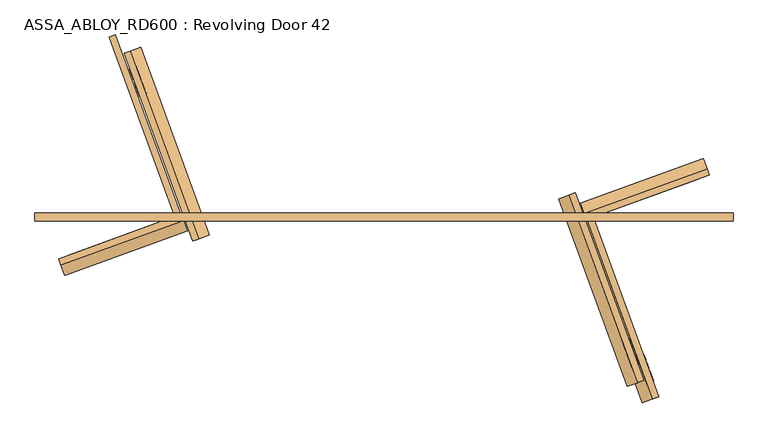
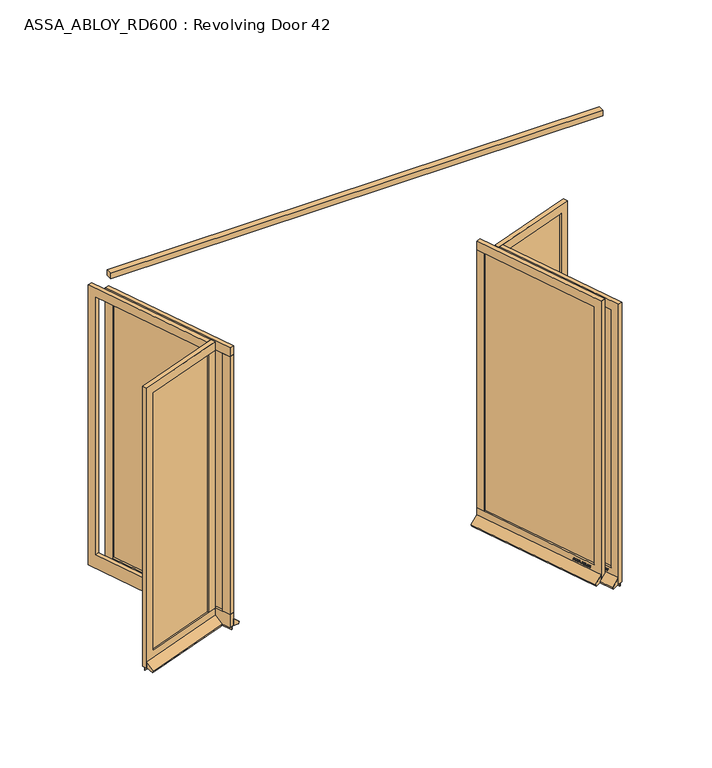
"""IFC4 building model written with IfcOpenShell, lengths in millimetres: door geometry, ASSA_ABLOY_RD600 : Revolving Door 42."""

from ifc_helpers import new_model, si_unit, frame, origin, place, context, project, spatial, polyline, outline, extrude, source, transform, mapped, element, save


def assa_abloy_rd600_revolving_door_42_ab2d492a(model_context):
    return source(origin(), model_context, "Body", "SweptSolid", [
        extrude(outline(polyline([(2141.0, -25.0), (-2141.0, -25.0), (-2141.0, 25.0), (2141.0, 25.0), (2141.0, -25.0)])), frame((0.0, 0.0, 3500.0), z_axis=(0.0, 0.0, 1.0), x_axis=(1.0, 0.0, 0.0)), (0.0, 0.0, 1.0), 50.0),
        extrude(outline(polyline([(0.0, 0.0), (1156.0000001, 0.0), (1156.0000001, -120.0), (-69.9999999, -120.0), (-69.9999999, 2452.0), (1156.0000001, 2452.0), (1156.0000001, 2372.0), (0.0, 2372.0), (0.0, 0.0)])), frame((1532.1043284, -951.5366544, 148.0), z_axis=(0.9396926207858558, 0.34202014332581326, 0.0), x_axis=(-0.34202014332581326, 0.9396926207858558, 0.0)), (0.0, 0.0, 1.0), 40.0),
        extrude(outline(polyline([(1198.2581576, 82.6503375), (1160.6704527, 68.9695318), (1136.7290427, 134.7480153), (1174.3167475, 148.428821), (1198.2581576, 82.6503375)])), frame((0.0, 0.0, 148.0), z_axis=(0.0, 0.0, 1.0), x_axis=(1.0, 0.0, 0.0)), (0.0, 0.0, 1.0), 2372.0),
        extrude(outline(polyline([(1548.0791029, -945.7223119), (1176.6452273, 74.7838742), (1182.283383, 76.8359951), (1553.7172587, -943.6701911), (1548.0791029, -945.7223119)])), frame((0.0, 0.0, 148.0), z_axis=(0.0, 0.0, 1.0), x_axis=(1.0, 0.0, 0.0)), (0.0, 0.0, 1.0), 2372.0),
        extrude(outline(polyline([(1572.020513, -1011.5007954), (1152.7038173, 140.5623577), (1158.341973, 142.6144786), (1577.6586687, -1009.4486745), (1572.020513, -1011.5007954)])), frame((0.0, 0.0, -1.0), z_axis=(0.0, 0.0, 1.0), x_axis=(1.0, 0.0, 0.0)), (0.0, 0.0, 1.0), 29.0),
        extrude(outline(polyline([(21.1919362, 1e-07), (20.214336, -2.6529929), (14.2348715, -2.5853723), (11.2716326, -10.6269535), (15.8652682, -14.4554101), (14.8894584, -17.1035441), (-1.2354289, -3.3526834), (0.0, 0.0), (21.1919362, 1e-07)]), holes=[polyline([(11.7626281, -2.5849674), (1.6611384, -2.5160753), (9.3848751, -9.0376682), (11.7626281, -2.5849674)])]), frame((1555.5899127, -899.110591, 122.8848654), z_axis=(0.9396926207858602, 0.34202014332580105, 0.0), x_axis=(-0.11825756092416981, 0.3249099783187935, -0.9383222555567716)), (0.0, 0.0, 1.0), 2.0),
        extrude(outline(polyline([(3.5121291, 0.0), (5.4926863, -1.2764387), (6.787432, -3.3659463), (7.2092232, -6.1919011), (6.5093631, -9.6341389), (4.8247981, -13.2083906), (2.5145629, -16.157079), (-0.6567352, -15.0446471), (2.4447822, -12.1320668), (4.3562345, -8.7636201), (4.8029446, -4.7524081), (2.9863484, -2.6252692), (0.9295188, -2.6144293), (-0.6628891, -4.2207408), (-1.8238571, -6.2006452), (-3.0893834, -8.4786223), (-6.2388815, -11.6844271), (-9.9996043, -11.7673438), (-13.1300796, -8.3561655), (-12.7977466, -2.5981571), (-11.0920113, 1.0208017), (-9.0699595, 3.711135), (-6.0403681, 2.6484111), (-8.71119, 0.0484616), (-10.6514742, -3.4882217), (-11.0208469, -7.16163), (-9.3614355, -9.1814982), (-7.3063201, -9.1972245), (-5.5118808, -7.3434952), (-4.250422, -5.1162245), (-2.8187321, -2.6852579), (0.0, 0.0), (3.5121291, 0.0)])), frame((1547.4738463, -876.8118819, 111.999973), z_axis=(0.9396926207858602, 0.34202014332580105, 0.0), x_axis=(-0.11321109633798945, 0.31104493082019163, -0.9436282629706535)), (0.0, 0.0, 1.0), 2.0),
        extrude(outline(polyline([(3.5121291, 0.0), (5.4926863, -1.2764388), (6.787432, -3.3659464), (7.2092232, -6.1919012), (6.5093631, -9.6341389), (4.824798, -13.2083907), (2.5145629, -16.157079), (-0.6567352, -15.0446471), (2.4447822, -12.1320668), (4.3562345, -8.7636201), (4.8029446, -4.7524081), (2.9863484, -2.6252693), (0.9295188, -2.6144293), (-0.6628891, -4.2207409), (-1.8238571, -6.2006453), (-3.0893834, -8.4786223), (-6.2388815, -11.6844271), (-9.9996043, -11.7673438), (-13.1300796, -8.3561655), (-12.7977466, -2.5981571), (-11.0920114, 1.0208016), (-9.0699595, 3.711135), (-6.0403681, 2.6484111), (-8.71119, 0.0484616), (-10.6514742, -3.4882218), (-11.0208469, -7.16163), (-9.3614355, -9.1814982), (-7.3063201, -9.1972245), (-5.5118808, -7.3434952), (-4.250422, -5.1162245), (-2.8187321, -2.6852579), (0.0, 0.0), (3.5121291, 0.0)])), frame((1541.012873, -859.0605036, 111.999973), z_axis=(0.9396926207858601, 0.34202014332580105, 0.0), x_axis=(-0.11321109633799238, 0.3110449308201997, -0.9436282629706505)), (0.0, 0.0, 1.0), 2.0),
        extrude(outline(polyline([(21.1919362, 0.0), (20.214336, -2.6529929), (14.2348715, -2.5853723), (11.2716326, -10.6269535), (15.8652682, -14.4554101), (14.8894584, -17.1035441), (-1.2354289, -3.3526834), (0.0, 0.0), (21.1919362, 0.0)]), holes=[polyline([(11.7626281, -2.5849674), (1.6611384, -2.5160753), (9.3848751, -9.0376682), (11.7626281, -2.5849674)])]), frame((1536.2069928, -845.8564562, 122.8848654), z_axis=(0.9396926207858602, 0.34202014332580105, 0.0), x_axis=(-0.11825756092416981, 0.3249099783187935, -0.9383222555567716)), (0.0, 0.0, 1.0), 2.0),
        extrude(outline(polyline([(21.1919362, 1e-07), (20.214336, -2.6529929), (14.2348715, -2.5853724), (11.2716326, -10.6269535), (15.8652682, -14.4554102), (14.8894584, -17.1035441), (-1.2354289, -3.3526833), (0.0, 0.0), (21.1919362, 1e-07)]), holes=[polyline([(11.7626281, -2.5849674), (1.6611384, -2.5160753), (9.3848751, -9.0376681), (11.7626281, -2.5849674)])]), frame((1526.4588576, -819.073675, 122.8848654), z_axis=(0.9396926207858602, 0.34202014332580105, 0.0), x_axis=(-0.11825756092416981, 0.3249099783187935, -0.9383222555567716)), (0.0, 0.0, 1.0), 2.0),
        extrude(outline(polyline([(3.6247797, 0.0), (5.9232413, -1.3859292), (7.2049821, -3.4426962), (7.5842828, -6.2202287), (6.8194358, -9.6251297), (4.5055294, -16.4081518), (-14.3144162, -9.9880647), (-12.3716711, -4.2930707), (-11.1479956, -1.1951534), (-9.8352433, 0.5920774), (-7.9241126, 1.6554025), (-5.7320771, 1.441087), (-3.7068838, -0.0321766), (-2.8147562, -2.4211002), (0.0, 0.0), (3.6247797, 0.0)]), holes=[polyline([(-5.2214252, -2.9241786), (-9.3653605, -2.9303687), (-10.1960736, -5.1008932), (-11.2627443, -8.2277488), (-5.9304264, -10.0467735), (-4.7734732, -6.6552624), (-5.2214252, -2.9241786)]), polyline([(2.8765907, -2.5461078), (0.9746905, -2.291247), (-0.5832315, -3.1932876), (-1.5099769, -4.5787396), (-2.347091, -6.7279308), (-3.734766, -10.7957836), (3.1658807, -13.1498156), (4.3362091, -9.7190964), (5.1175974, -6.8751817), (5.1102534, -4.883835), (4.3679308, -3.4351116), (2.8765907, -2.5461078)])]), frame((1518.1187471, -796.1594096, 112.561824), z_axis=(0.9396926207858604, 0.3420201433258011, 0.0), x_axis=(-0.11042564634822187, 0.30339196987028844, -0.9464457138403678)), (0.0, 0.0, 1.0), 2.0),
        extrude(outline(polyline([(2.319901, 0.0), (2.319901, -12.5937482), (-17.5649644, -12.5937482), (-17.5649644, -9.9424327), (0.0, -9.9424327), (0.0, 0.0), (2.319901, 0.0)])), frame((1512.1643084, -779.7997238, 105.319901), z_axis=(0.9396926207858602, 0.34202014332580105, 0.0), x_axis=(0.0, 0.0, -1.0)), (0.0, 0.0, 1.0), 2.0),
        extrude(outline(polyline([(3.4755123, 0.0), (6.8343334, -1.6217536), (9.841779, -4.8358203), (11.7934802, -8.7947163), (12.1283676, -12.475947), (10.9175763, -15.7640054), (8.2007386, -18.4707048), (4.7147757, -20.0502835), (1.2097864, -20.048671), (-2.1257686, -18.4422905), (-5.1361655, -15.2239686), (-7.0812776, -11.3109182), (-7.4345587, -7.5668217), (-6.1998493, -4.2905332), (-3.5095377, -1.5864764), (0.0, 0.0), (3.4755123, 0.0)]), holes=[polyline([(7.6631689, -6.3468237), (2.8864763, -2.494471), (-2.1788994, -3.4868578), (-4.8960977, -7.8921765), (-2.9575554, -13.7129652), (1.8513938, -17.5618518), (6.887121, -16.5585186), (9.5892894, -12.1951337), (7.6631689, -6.3468237)])]), frame((1507.1866315, -766.1236688, 122.5197917), z_axis=(0.9396926207858602, 0.34202014332580105, 0.0), x_axis=(-0.2810410816456137, 0.7721540257600883, -0.5699070721880477)), (0.0, 0.0, 1.0), 2.0),
        extrude(outline(polyline([(3.1691505, 0.0), (-4.1219668, -11.1645234), (-4.1219668, -19.8848654), (-6.7732823, -19.8848654), (-6.7732823, -11.4441543), (-14.0643996, 0.0), (-10.9211409, 0.0), (-5.4320895, -8.8964059), (0.0, 0.0), (3.1691505, 0.0)])), frame((1499.9862239, -746.3407115, 122.8848654), z_axis=(0.9396926207858602, 0.34202014332580105, 0.0), x_axis=(-0.34202014332580105, 0.9396926207858602, 0.0)), (0.0, 0.0, 1.0), 2.0),
        extrude(outline(polyline([(-21.1919362, 1e-07), (0.0, 0.0), (1.2354289, -3.3526834), (-14.8894584, -17.1035441), (-15.8652682, -14.4554101), (-11.2716326, -10.6269535), (-14.2348715, -2.5853723), (-20.214336, -2.6529929), (-21.1919362, 1e-07)]), holes=[polyline([(-11.7626281, -2.5849674), (-9.3848751, -9.0376682), (-1.6611384, -2.5160752), (-11.7626281, -2.5849674)])]), frame((1463.3900871, -768.5934369, 122.8848654), z_axis=(0.939692620785858, 0.3420201433258071, 0.0), x_axis=(-0.11825756092417189, 0.3249099783187927, 0.9383222555567716)), (0.0, 0.0, 1.0), 2.0),
        extrude(outline(polyline([(-3.5121291, 0.0), (0.0, 0.0), (2.818732, -2.6852578), (4.250422, -5.1162245), (5.5118808, -7.3434952), (7.3063201, -9.1972245), (9.3614355, -9.1814982), (11.0208469, -7.16163), (10.6514742, -3.4882217), (8.71119, 0.0484617), (6.0403681, 2.6484111), (9.0699595, 3.711135), (11.0920113, 1.0208017), (12.7977466, -2.5981571), (13.1300796, -8.3561655), (9.9996043, -11.7673438), (6.2388815, -11.6844271), (3.0893834, -8.4786223), (1.8238571, -6.2006452), (0.6628891, -4.2207408), (-0.9295188, -2.6144293), (-2.9863484, -2.6252692), (-4.8029446, -4.7524081), (-4.3562345, -8.76362), (-2.4447823, -12.1320668), (0.6567352, -15.0446471), (-2.5145629, -16.157079), (-4.8247981, -13.2083905), (-6.5093631, -9.6341389), (-7.2092232, -6.1919011), (-6.787432, -3.3659463), (-5.4926863, -1.2764386), (-3.5121291, 0.0)])), frame((1471.5061535, -790.892146, 111.999973), z_axis=(0.939692620785858, 0.3420201433258071, 0.0), x_axis=(-0.11321109633799145, 0.31104493082019086, 0.9436282629706535)), (0.0, 0.0, 1.0), 2.0),
        extrude(outline(polyline([(-3.5121291, 0.0), (0.0, 0.0), (2.8187321, -2.6852579), (4.250422, -5.1162245), (5.5118808, -7.3434952), (7.3063201, -9.1972245), (9.3614355, -9.1814982), (11.0208469, -7.16163), (10.6514742, -3.4882218), (8.71119, 0.0484616), (6.0403681, 2.6484111), (9.0699595, 3.711135), (11.0920113, 1.0208017), (12.7977466, -2.5981571), (13.1300796, -8.3561655), (9.9996043, -11.7673438), (6.2388815, -11.6844271), (3.0893834, -8.4786223), (1.8238571, -6.2006452), (0.6628891, -4.2207408), (-0.9295188, -2.6144293), (-2.9863484, -2.6252693), (-4.8029446, -4.7524081), (-4.3562345, -8.76362), (-2.4447823, -12.1320668), (0.6567352, -15.0446471), (-2.5145629, -16.157079), (-4.824798, -13.2083906), (-6.5093631, -9.6341389), (-7.2092232, -6.1919012), (-6.787432, -3.3659463), (-5.4926863, -1.2764387), (-3.5121291, 0.0)])), frame((1477.9671268, -808.6435243, 111.999973), z_axis=(0.939692620785858, 0.3420201433258071, 0.0), x_axis=(-0.11321109633799145, 0.31104493082019086, 0.9436282629706535)), (0.0, 0.0, 1.0), 2.0),
        extrude(outline(polyline([(-21.1919362, 1e-07), (0.0, 0.0), (1.2354289, -3.3526834), (-14.8894584, -17.1035441), (-15.8652682, -14.4554101), (-11.2716326, -10.6269535), (-14.2348715, -2.5853723), (-20.214336, -2.6529929), (-21.1919362, 1e-07)]), holes=[polyline([(-11.7626281, -2.5849674), (-9.3848751, -9.0376682), (-1.6611384, -2.5160752), (-11.7626281, -2.5849674)])]), frame((1482.773007, -821.8475717, 122.8848654), z_axis=(0.939692620785858, 0.3420201433258071, 0.0), x_axis=(-0.11825756092417189, 0.3249099783187927, 0.9383222555567716)), (0.0, 0.0, 1.0), 2.0),
        extrude(outline(polyline([(-21.1919362, 1e-07), (0.0, 0.0), (1.2354289, -3.3526833), (-14.8894584, -17.1035441), (-15.8652682, -14.4554101), (-11.2716326, -10.6269535), (-14.2348715, -2.5853723), (-20.214336, -2.6529929), (-21.1919362, 1e-07)]), holes=[polyline([(-11.7626281, -2.5849674), (-9.3848751, -9.0376681), (-1.6611385, -2.5160751), (-11.7626281, -2.5849674)])]), frame((1492.5211422, -848.6303529, 122.8848654), z_axis=(0.939692620785858, 0.3420201433258071, 0.0), x_axis=(-0.11825756092417189, 0.3249099783187927, 0.9383222555567716)), (0.0, 0.0, 1.0), 2.0),
        extrude(outline(polyline([(-3.6247797, -1e-07), (0.0, 0.0), (2.8147562, -2.4211003), (3.7068839, -0.0321767), (5.7320772, 1.4410869), (7.9241126, 1.6554024), (9.8352433, 0.5920773), (11.1479956, -1.1951535), (12.3716711, -4.2930708), (14.3144162, -9.9880648), (-4.5055294, -16.4081519), (-6.8194358, -9.6251298), (-7.5842828, -6.2202288), (-7.204982, -3.4426963), (-5.9232413, -1.3859293), (-3.6247797, -1e-07)]), holes=[polyline([(5.2214253, -2.9241787), (4.7734732, -6.6552625), (5.9304264, -10.0467736), (11.2627444, -8.2277489), (10.1960736, -5.1008933), (9.3653605, -2.9303688), (5.2214253, -2.9241787)]), polyline([(-2.8765906, -2.5461079), (-4.3679308, -3.4351117), (-5.1102534, -4.8838351), (-5.1175974, -6.8751818), (-4.336209, -9.7190965), (-3.1658807, -13.1498157), (3.7347661, -10.7957838), (2.347091, -6.7279309), (1.5099769, -4.5787397), (0.5832316, -3.1932877), (-0.9746905, -2.2912471), (-2.8765906, -2.5461079)])]), frame((1500.8612528, -871.5446184, 112.561824), z_axis=(0.939692620785858, 0.34202014332580716, 0.0), x_axis=(-0.11042564634822383, 0.3033919698702877, 0.9464457138403678)), (0.0, 0.0, 1.0), 2.0),
        extrude(outline(polyline([(-2.319901, 0.0), (0.0, 0.0), (0.0, -9.9424326), (17.5649644, -9.9424326), (17.5649644, -12.593748), (-2.319901, -12.593748), (-2.319901, 0.0)])), frame((1506.8156914, -887.9043041, 105.319901), z_axis=(0.939692620785858, 0.3420201433258071, 0.0), x_axis=(0.0, 0.0, 1.0)), (0.0, 0.0, 1.0), 2.0),
        extrude(outline(polyline([(-3.4755123, 0.0), (0.0, 0.0), (3.5095376, -1.5864763), (6.1998493, -4.2905332), (7.4345588, -7.5668217), (7.0812776, -11.3109182), (5.1361655, -15.2239686), (2.1257686, -18.4422905), (-1.2097864, -20.048671), (-4.7147758, -20.0502835), (-8.2007387, -18.4707048), (-10.9175762, -15.7640054), (-12.1283676, -12.475947), (-11.7934802, -8.7947164), (-9.8417791, -4.8358203), (-6.8343334, -1.6217536), (-3.4755123, 0.0)]), holes=[polyline([(-7.6631689, -6.3468237), (-9.5892894, -12.1951337), (-6.8871209, -16.5585186), (-1.8513938, -17.5618518), (2.9575554, -13.7129653), (4.8960977, -7.8921765), (2.1788995, -3.4868579), (-2.8864763, -2.494471), (-7.6631689, -6.3468237)])]), frame((1511.7933684, -901.5803591, 122.5197917), z_axis=(0.939692620785858, 0.3420201433258071, 0.0), x_axis=(-0.28104108164561903, 0.7721540257600874, 0.5699070721880464)), (0.0, 0.0, 1.0), 2.0),
        extrude(outline(polyline([(-3.1691505, 0.0), (0.0, 0.0), (5.4320895, -8.8964059), (10.9211409, 0.0), (14.0643996, 0.0), (6.7732822, -11.4441543), (6.7732822, -19.8848654), (4.1219668, -19.8848654), (4.1219668, -11.1645234), (-3.1691505, 0.0)])), frame((1518.993776, -921.3633164, 122.8848654), z_axis=(0.939692620785858, 0.3420201433258071, 0.0), x_axis=(-0.3420201433258071, 0.939692620785858, 0.0)), (0.0, 0.0, 1.0), 2.0),
        extrude(outline(polyline([(16.3017206, 0.0), (20.0, 0.0), (20.0, 58.7981528), (88.5222617, 2.8076911), (78.5957563, -16.6009104), (16.3017206, 0.0)])), frame((1574.8395908, -1010.474735, 28.0), z_axis=(-0.34202014332581326, 0.9396926207858558, 0.0), x_axis=(-0.9396926207858558, -0.34202014332581326, 0.0)), (0.0, 0.0, 1.0), 1226.0),
        extrude(outline(polyline([(1156.0, 0.0), (1156.0, -120.0), (0.0, -120.0), (0.0, -2492.0), (1156.0, -2492.0), (1156.0, -2572.0), (-70.0000001, -2572.0), (-70.0000001, 0.0), (1156.0, 0.0)])), frame((-1569.6920332, 937.8558486, 28.0), z_axis=(0.939692620786613, 0.3420201433237329, 0.0), x_axis=(0.3420201433237329, -0.939692620786613, 0.0)), (0.0, 0.0, 1.0), 40.0),
        extrude(outline(polyline([(-1198.2581576, -82.6503375), (-1160.6704527, -68.9695318), (-1136.7290427, -134.7480153), (-1174.3167475, -148.428821), (-1198.2581576, -82.6503375)])), frame((0.0, 0.0, 148.0), z_axis=(0.0, 0.0, 1.0), x_axis=(1.0, 0.0, 0.0)), (0.0, 0.0, 1.0), 2372.0),
        extrude(outline(polyline([(-1548.0791029, 945.7223119), (-1176.6452273, -74.7838742), (-1182.283383, -76.8359951), (-1553.7172587, 943.6701911), (-1548.0791029, 945.7223119)])), frame((0.0, 0.0, 148.0), z_axis=(0.0, 0.0, 1.0), x_axis=(1.0, 0.0, 0.0)), (0.0, 0.0, 1.0), 2372.0),
        extrude(outline(polyline([(-1572.020513, 1011.5007954), (-1152.7038173, -140.5623577), (-1158.341973, -142.6144786), (-1577.6586687, 1009.4486745), (-1572.020513, 1011.5007954)])), frame((0.0, 0.0, -1.0), z_axis=(0.0, 0.0, 1.0), x_axis=(1.0, 0.0, 0.0)), (0.0, 0.0, 1.0), 29.0),
        extrude(outline(polyline([(-21.1919362, 1e-07), (0.0, 0.0), (1.2354289, -3.3526834), (-14.8894584, -17.1035441), (-15.8652682, -14.4554101), (-11.2716326, -10.6269535), (-14.2348715, -2.5853723), (-20.214336, -2.6529929), (-21.1919362, 1e-07)]), holes=[polyline([(-11.7626281, -2.5849674), (-9.3848751, -9.0376682), (-1.6611384, -2.5160752), (-11.7626281, -2.5849674)])]), frame((-1557.469298, 898.4265507, 122.8848654), z_axis=(0.9396926207866175, 0.34202014332372066, 0.0), x_axis=(-0.11825756092345048, 0.3249099783190553, 0.9383222555567716)), (0.0, 0.0, 1.0), 2.0),
        extrude(outline(polyline([(-3.5121291, 0.0), (0.0, 0.0), (2.8187321, -2.6852579), (4.250422, -5.1162245), (5.5118808, -7.3434952), (7.3063201, -9.1972245), (9.3614355, -9.1814982), (11.0208469, -7.16163), (10.6514742, -3.4882218), (8.71119, 0.0484616), (6.0403681, 2.6484111), (9.0699595, 3.711135), (11.0920113, 1.0208017), (12.7977466, -2.5981571), (13.1300796, -8.3561655), (9.9996043, -11.7673438), (6.2388815, -11.6844271), (3.0893834, -8.4786223), (1.8238571, -6.2006452), (0.6628891, -4.2207408), (-0.9295188, -2.6144293), (-2.9863484, -2.6252692), (-4.8029446, -4.7524081), (-4.3562345, -8.76362), (-2.4447823, -12.1320668), (0.6567352, -15.0446471), (-2.5145629, -16.157079), (-4.8247981, -13.2083905), (-6.5093631, -9.6341389), (-7.2092232, -6.1919012), (-6.787432, -3.3659463), (-5.4926863, -1.2764386), (-3.5121291, 0.0)])), frame((-1549.3532316, 876.1278416, 111.999973), z_axis=(0.9396926207866174, 0.34202014332372066, 0.0), x_axis=(-0.11321109633730082, 0.31104493082044227, 0.9436282629706535)), (0.0, 0.0, 1.0), 2.0),
        extrude(outline(polyline([(-3.5121291, 0.0), (0.0, 0.0), (2.8187321, -2.6852579), (4.250422, -5.1162244), (5.5118808, -7.3434953), (7.3063201, -9.1972245), (9.3614355, -9.1814982), (11.0208469, -7.16163), (10.6514742, -3.4882218), (8.71119, 0.0484616), (6.0403681, 2.648411), (9.0699596, 3.7111349), (11.0920114, 1.0208016), (12.7977466, -2.5981572), (13.1300797, -8.3561656), (9.9996044, -11.7673439), (6.2388815, -11.6844271), (3.0893834, -8.4786224), (1.8238571, -6.2006453), (0.6628891, -4.2207408), (-0.9295188, -2.6144294), (-2.9863484, -2.6252693), (-4.8029446, -4.7524081), (-4.3562345, -8.76362), (-2.4447823, -12.1320668), (0.6567353, -15.0446472), (-2.5145629, -16.1570791), (-4.824798, -13.2083906), (-6.5093631, -9.6341389), (-7.2092232, -6.1919012), (-6.787432, -3.3659464), (-5.4926863, -1.2764387), (-3.5121291, 0.0)])), frame((-1542.8922583, 858.3764633, 111.999973), z_axis=(0.9396926207866174, 0.3420201433237206, 0.0), x_axis=(-0.11321109633730375, 0.3110449308204503, 0.9436282629706505)), (0.0, 0.0, 1.0), 2.0),
        extrude(outline(polyline([(-21.1919362, 0.0), (0.0, 0.0), (1.2354289, -3.3526834), (-14.8894584, -17.1035441), (-15.8652682, -14.4554101), (-11.2716326, -10.6269535), (-14.2348715, -2.5853723), (-20.214336, -2.6529929), (-21.1919362, 0.0)]), holes=[polyline([(-11.7626281, -2.5849674), (-9.3848751, -9.0376682), (-1.6611384, -2.5160752), (-11.7626281, -2.5849674)])]), frame((-1538.0863781, 845.1724159, 122.8848654), z_axis=(0.9396926207866175, 0.34202014332372066, 0.0), x_axis=(-0.11825756092345048, 0.3249099783190553, 0.9383222555567716)), (0.0, 0.0, 1.0), 2.0),
        extrude(outline(polyline([(-21.1919362, 1e-07), (0.0, 0.0), (1.2354289, -3.3526834), (-14.8894584, -17.1035441), (-15.8652682, -14.4554101), (-11.2716326, -10.6269535), (-14.2348715, -2.5853723), (-20.214336, -2.6529929), (-21.1919362, 1e-07)]), holes=[polyline([(-11.7626281, -2.5849674), (-9.3848751, -9.0376682), (-1.6611384, -2.5160752), (-11.7626281, -2.5849674)])]), frame((-1528.3382429, 818.3896347, 122.8848654), z_axis=(0.9396926207866175, 0.34202014332372066, 0.0), x_axis=(-0.11825756092345048, 0.3249099783190553, 0.9383222555567716)), (0.0, 0.0, 1.0), 2.0),
        extrude(outline(polyline([(-3.6247797, 0.0), (0.0, 0.0), (2.8147562, -2.4211002), (3.7068839, -0.0321766), (5.7320771, 1.441087), (7.9241126, 1.6554025), (9.8352433, 0.5920774), (11.1479956, -1.1951534), (12.3716711, -4.2930708), (14.3144162, -9.9880647), (-4.5055294, -16.4081518), (-6.8194358, -9.6251298), (-7.5842828, -6.2202287), (-7.2049821, -3.4426962), (-5.9232413, -1.3859292), (-3.6247797, 0.0)]), holes=[polyline([(5.2214253, -2.9241786), (4.7734732, -6.6552624), (5.9304264, -10.0467735), (11.2627443, -8.2277488), (10.1960736, -5.1008932), (9.3653605, -2.9303687), (5.2214253, -2.9241786)]), polyline([(-2.8765906, -2.5461079), (-4.3679308, -3.4351117), (-5.1102534, -4.8838351), (-5.1175974, -6.8751817), (-4.3362091, -9.7190964), (-3.1658807, -13.1498156), (3.734766, -10.7957836), (2.347091, -6.7279308), (1.5099769, -4.5787396), (0.5832315, -3.1932876), (-0.9746905, -2.291247), (-2.8765906, -2.5461079)])]), frame((-1519.9981323, 795.4753693, 112.561824), z_axis=(0.9396926207866174, 0.34202014332372066, 0.0), x_axis=(-0.11042564634755019, 0.3033919698705329, 0.9464457138403678)), (0.0, 0.0, 1.0), 2.0),
        extrude(outline(polyline([(-2.319901, 0.0), (0.0, 0.0), (0.0, -9.9424327), (17.5649644, -9.9424327), (17.5649644, -12.5937481), (-2.319901, -12.5937481), (-2.319901, 0.0)])), frame((-1514.0436937, 779.1156835, 105.319901), z_axis=(0.9396926207866174, 0.34202014332372066, 0.0), x_axis=(0.0, 0.0, 1.0)), (0.0, 0.0, 1.0), 2.0),
        extrude(outline(polyline([(-3.4755123, 0.0), (0.0, 0.0), (3.5095377, -1.5864764), (6.1998493, -4.2905332), (7.4345588, -7.5668217), (7.0812776, -11.3109182), (5.1361655, -15.2239686), (2.1257686, -18.4422905), (-1.2097864, -20.048671), (-4.7147757, -20.0502836), (-8.2007386, -18.4707048), (-10.9175762, -15.7640054), (-12.1283676, -12.475947), (-11.7934802, -8.7947164), (-9.841779, -4.8358203), (-6.8343334, -1.6217536), (-3.4755123, 0.0)]), holes=[polyline([(-7.6631689, -6.3468237), (-9.5892893, -12.1951337), (-6.8871209, -16.5585186), (-1.8513938, -17.5618518), (2.9575554, -13.7129653), (4.8960977, -7.8921765), (2.1788995, -3.4868579), (-2.8864763, -2.494471), (-7.6631689, -6.3468237)])]), frame((-1509.0660167, 765.4396285, 122.5197917), z_axis=(0.9396926207866174, 0.34202014332372066, 0.0), x_axis=(-0.28104108164390423, 0.7721540257607105, 0.5699070721880477)), (0.0, 0.0, 1.0), 2.0),
        extrude(outline(polyline([(-3.1691505, 0.0), (0.0, 0.0), (5.4320895, -8.8964059), (10.9211409, 0.0), (14.0643996, 0.0), (6.7732823, -11.4441543), (6.7732823, -19.8848654), (4.1219669, -19.8848654), (4.1219669, -11.1645234), (-3.1691505, 0.0)])), frame((-1501.8656091, 745.6566712, 122.8848654), z_axis=(0.9396926207866174, 0.34202014332372066, 0.0), x_axis=(-0.34202014332372066, 0.9396926207866174, 0.0)), (0.0, 0.0, 1.0), 2.0),
        extrude(outline(polyline([(21.1919362, 1e-07), (20.214336, -2.6529929), (14.2348715, -2.5853724), (11.2716326, -10.6269535), (15.8652682, -14.4554101), (14.8894584, -17.1035441), (-1.2354289, -3.3526833), (0.0, 0.0), (21.1919362, 1e-07)]), holes=[polyline([(11.7626281, -2.5849674), (1.6611384, -2.5160753), (9.3848751, -9.0376681), (11.7626281, -2.5849674)])]), frame((-1465.2694724, 767.9093966, 122.8848654), z_axis=(0.9396926207866153, 0.34202014332372677, 0.0), x_axis=(-0.11825756092345256, 0.32490997831905455, -0.9383222555567716)), (0.0, 0.0, 1.0), 2.0),
        extrude(outline(polyline([(3.5121291, 0.0), (5.4926863, -1.2764387), (6.787432, -3.3659463), (7.2092232, -6.1919011), (6.5093631, -9.6341389), (4.8247981, -13.2083906), (2.5145629, -16.157079), (-0.6567352, -15.0446471), (2.4447822, -12.1320668), (4.3562346, -8.76362), (4.8029446, -4.7524081), (2.9863484, -2.6252692), (0.9295188, -2.6144293), (-0.6628891, -4.2207408), (-1.8238571, -6.2006452), (-3.0893834, -8.4786223), (-6.2388815, -11.6844271), (-9.9996043, -11.7673438), (-13.1300796, -8.3561655), (-12.7977466, -2.5981571), (-11.0920113, 1.0208017), (-9.0699595, 3.711135), (-6.0403681, 2.6484111), (-8.71119, 0.0484617), (-10.6514742, -3.4882217), (-11.0208469, -7.16163), (-9.3614355, -9.1814982), (-7.3063201, -9.1972245), (-5.5118808, -7.3434952), (-4.250422, -5.1162244), (-2.818732, -2.6852578), (0.0, 0.0), (3.5121291, 0.0)])), frame((-1473.3855388, 790.2081057, 111.999973), z_axis=(0.9396926207866153, 0.34202014332372677, 0.0), x_axis=(-0.11321109633730282, 0.3110449308204415, -0.9436282629706535)), (0.0, 0.0, 1.0), 2.0),
        extrude(outline(polyline([(3.5121291, -1e-07), (5.4926863, -1.2764388), (6.787432, -3.3659463), (7.2092232, -6.1919012), (6.5093631, -9.6341389), (4.8247981, -13.2083906), (2.5145629, -16.157079), (-0.6567352, -15.0446471), (2.4447822, -12.1320668), (4.3562345, -8.7636201), (4.8029446, -4.7524081), (2.9863484, -2.6252693), (0.9295188, -2.6144293), (-0.6628891, -4.2207409), (-1.8238571, -6.2006452), (-3.0893834, -8.4786223), (-6.2388815, -11.6844271), (-9.9996043, -11.7673438), (-13.1300796, -8.3561655), (-12.7977466, -2.5981571), (-11.0920113, 1.0208017), (-9.0699595, 3.711135), (-6.0403681, 2.6484111), (-8.71119, 0.0484616), (-10.6514742, -3.4882218), (-11.0208469, -7.16163), (-9.3614355, -9.1814982), (-7.3063201, -9.1972245), (-5.5118808, -7.3434952), (-4.250422, -5.1162245), (-2.8187321, -2.6852579), (0.0, 0.0), (3.5121291, -1e-07)])), frame((-1479.8465121, 807.959484, 111.999973), z_axis=(0.9396926207866153, 0.34202014332372677, 0.0), x_axis=(-0.11321109633730282, 0.3110449308204415, -0.9436282629706535)), (0.0, 0.0, 1.0), 2.0),
        extrude(outline(polyline([(21.1919362, 1e-07), (20.214336, -2.6529929), (14.2348715, -2.5853723), (11.2716326, -10.6269535), (15.8652682, -14.4554101), (14.8894584, -17.1035441), (-1.2354289, -3.3526834), (0.0, 0.0), (21.1919362, 1e-07)]), holes=[polyline([(11.7626281, -2.5849674), (1.6611384, -2.5160753), (9.3848751, -9.0376682), (11.7626281, -2.5849674)])]), frame((-1484.6523923, 821.1635314, 122.8848654), z_axis=(0.9396926207866153, 0.34202014332372677, 0.0), x_axis=(-0.11825756092345256, 0.32490997831905455, -0.9383222555567716)), (0.0, 0.0, 1.0), 2.0),
        extrude(outline(polyline([(21.1919362, 1e-07), (20.214336, -2.6529929), (14.2348715, -2.5853724), (11.2716326, -10.6269535), (15.8652682, -14.4554102), (14.8894584, -17.1035441), (-1.2354289, -3.3526833), (0.0, 0.0), (21.1919362, 1e-07)]), holes=[polyline([(11.7626281, -2.5849674), (1.6611384, -2.5160752), (9.3848751, -9.0376681), (11.7626281, -2.5849674)])]), frame((-1494.4005275, 847.9463126, 122.8848654), z_axis=(0.9396926207866153, 0.34202014332372677, 0.0), x_axis=(-0.11825756092345256, 0.32490997831905455, -0.9383222555567716)), (0.0, 0.0, 1.0), 2.0),
        extrude(outline(polyline([(3.6247797, -1e-07), (5.9232413, -1.3859293), (7.2049821, -3.4426963), (7.5842828, -6.2202288), (6.8194358, -9.6251298), (4.5055294, -16.4081519), (-14.3144162, -9.9880648), (-12.3716711, -4.2930708), (-11.1479956, -1.1951535), (-9.8352433, 0.5920774), (-7.9241126, 1.6554024), (-5.7320772, 1.4410869), (-3.7068839, -0.0321767), (-2.8147562, -2.4211003), (0.0, 0.0), (3.6247797, -1e-07)]), holes=[polyline([(-5.2214253, -2.9241787), (-9.3653605, -2.9303688), (-10.1960736, -5.1008933), (-11.2627443, -8.2277489), (-5.9304264, -10.0467736), (-4.7734732, -6.6552625), (-5.2214253, -2.9241787)]), polyline([(2.8765907, -2.5461079), (0.9746905, -2.2912471), (-0.5832316, -3.1932877), (-1.5099769, -4.5787397), (-2.347091, -6.7279308), (-3.7347661, -10.7957837), (3.1658807, -13.1498157), (4.3362091, -9.7190964), (5.1175974, -6.8751818), (5.1102534, -4.8838351), (4.3679308, -3.4351117), (2.8765907, -2.5461079)])]), frame((-1502.740638, 870.8605781, 112.561824), z_axis=(0.9396926207866152, 0.3420201433237267, 0.0), x_axis=(-0.11042564634755214, 0.3033919698705322, -0.9464457138403678)), (0.0, 0.0, 1.0), 2.0),
        extrude(outline(polyline([(2.319901, 0.0), (2.319901, -12.5937481), (-17.5649644, -12.5937481), (-17.5649644, -9.9424327), (0.0, -9.9424327), (0.0, 0.0), (2.319901, 0.0)])), frame((-1508.6950767, 887.2202638, 105.319901), z_axis=(0.9396926207866152, 0.3420201433237267, 0.0), x_axis=(0.0, 0.0, -1.0)), (0.0, 0.0, 1.0), 2.0),
        extrude(outline(polyline([(3.4755123, 0.0), (6.8343334, -1.6217536), (9.8417791, -4.8358203), (11.7934802, -8.7947163), (12.1283676, -12.475947), (10.9175763, -15.7640054), (8.2007387, -18.4707047), (4.7147758, -20.0502835), (1.2097864, -20.048671), (-2.1257686, -18.4422905), (-5.1361655, -15.2239686), (-7.0812776, -11.3109182), (-7.4345587, -7.5668217), (-6.1998493, -4.2905332), (-3.5095376, -1.5864763), (0.0, 0.0), (3.4755123, 0.0)]), holes=[polyline([(7.663169, -6.3468237), (2.8864763, -2.494471), (-2.1788994, -3.4868578), (-4.8960977, -7.8921765), (-2.9575554, -13.7129652), (1.8513939, -17.5618518), (6.887121, -16.5585186), (9.5892894, -12.1951337), (7.663169, -6.3468237)])]), frame((-1513.6727536, 900.8963188, 122.5197917), z_axis=(0.9396926207866152, 0.3420201433237267, 0.0), x_axis=(-0.2810410816439095, 0.7721540257607096, -0.5699070721880464)), (0.0, 0.0, 1.0), 2.0),
        extrude(outline(polyline([(3.1691504, 0.0), (-4.1219669, -11.1645234), (-4.1219669, -19.8848654), (-6.7732823, -19.8848654), (-6.7732823, -11.4441543), (-14.0643997, 0.0), (-10.921141, 0.0), (-5.4320896, -8.8964059), (0.0, 0.0), (3.1691504, 0.0)])), frame((-1520.8731612, 920.6792762, 122.8848654), z_axis=(0.9396926207866152, 0.3420201433237267, 0.0), x_axis=(-0.3420201433237267, 0.9396926207866152, 0.0)), (0.0, 0.0, 1.0), 2.0),
        extrude(outline(polyline([(16.3017206, 0.0), (78.5957563, 16.6009104), (88.5222618, -2.8076911), (20.0, -58.7981528), (20.0, 0.0), (16.3017206, 0.0)])), frame((-1155.5228951, -141.5884181, 28.0), z_axis=(-0.3420201433237329, 0.939692620786613, 0.0), x_axis=(0.939692620786613, 0.3420201433237329, 0.0)), (0.0, 0.0, 1.0), 1226.0),
        extrude(outline(polyline([(0.0, 0.0), (1103.0, 0.0), (1103.0, -120.0), (-70.0000001, -120.0), (-70.0000001, 2452.0), (1103.0, 2452.0), (1103.0, 2372.0), (0.0, 2372.0), (0.0, 0.0)])), frame((1624.4669886, -1051.4973962, 148.0), z_axis=(0.939692620785858, 0.3420201433258072, 0.0), x_axis=(-0.3420201433258072, 0.939692620785858, 0.0)), (0.0, 0.0, 1.0), 40.0),
        extrude(outline(polyline([(1308.7478854, -67.1141132), (1271.1601806, -80.794919), (1247.2187705, -15.0164355), (1284.8064754, -1.3356298), (1308.7478854, -67.1141132)])), frame((0.0, 0.0, 148.0), z_axis=(0.0, 0.0, 1.0), x_axis=(1.0, 0.0, 0.0)), (0.0, 0.0, 1.0), 2372.0),
        extrude(outline(polyline([(1640.4417632, -1045.6830538), (1287.1349551, -74.9805765), (1292.7731109, -72.9284557), (1646.0799189, -1043.6309329), (1640.4417632, -1045.6830538)])), frame((0.0, 0.0, 148.0), z_axis=(0.0, 0.0, 1.0), x_axis=(1.0, 0.0, 0.0)), (0.0, 0.0, 1.0), 2372.0),
        extrude(outline(polyline([(1664.3831732, -1111.4615372), (1263.1935451, -9.2020931), (1268.8317008, -7.1499722), (1670.0213289, -1109.4094164), (1664.3831732, -1111.4615372)])), frame((0.0, 0.0, -1.0), z_axis=(0.0, 0.0, 1.0), x_axis=(1.0, 0.0, 0.0)), (0.0, 0.0, 1.0), 29.0),
        extrude(outline(polyline([(21.1919362, 1e-07), (20.214336, -2.6529929), (14.2348715, -2.5853723), (11.2716326, -10.6269535), (15.8652682, -14.4554101), (14.8894584, -17.1035441), (-1.2354289, -3.3526833), (0.0, 0.0), (21.1919362, 1e-07)]), holes=[polyline([(11.7626281, -2.5849674), (1.6611385, -2.5160751), (9.3848751, -9.0376681), (11.7626281, -2.5849674)])]), frame((1647.952573, -999.0713329, 122.8848654), z_axis=(0.9396926207858626, 0.342020143325795, 0.0), x_axis=(-0.11825756092416771, 0.32490997831879426, -0.9383222555567716)), (0.0, 0.0, 1.0), 2.0),
        extrude(outline(polyline([(3.5121291, 0.0), (5.4926863, -1.2764387), (6.787432, -3.3659464), (7.2092232, -6.1919012), (6.5093631, -9.6341389), (4.824798, -13.2083906), (2.5145629, -16.1570791), (-0.6567353, -15.0446472), (2.4447823, -12.1320668), (4.3562345, -8.76362), (4.8029446, -4.7524082), (2.9863484, -2.6252693), (0.9295188, -2.6144294), (-0.6628891, -4.2207408), (-1.8238571, -6.2006453), (-3.0893834, -8.4786224), (-6.2388815, -11.6844271), (-9.9996044, -11.7673439), (-13.1300797, -8.3561656), (-12.7977466, -2.5981572), (-11.0920114, 1.0208016), (-9.0699596, 3.7111349), (-6.0403681, 2.648411), (-8.71119, 0.0484616), (-10.6514742, -3.4882218), (-11.0208469, -7.1616301), (-9.3614355, -9.1814983), (-7.3063201, -9.1972245), (-5.5118808, -7.3434953), (-4.250422, -5.1162245), (-2.8187321, -2.6852579), (0.0, 0.0), (3.5121291, 0.0)])), frame((1639.8365066, -976.7726237, 111.999973), z_axis=(0.9396926207858625, 0.342020143325795, 0.0), x_axis=(-0.11321109633798745, 0.31104493082019236, -0.9436282629706535)), (0.0, 0.0, 1.0), 2.0),
        extrude(outline(polyline([(3.5121291, 0.0), (5.4926863, -1.2764386), (6.787432, -3.3659463), (7.2092232, -6.1919011), (6.5093631, -9.6341389), (4.8247981, -13.2083905), (2.5145629, -16.157079), (-0.6567352, -15.0446471), (2.4447823, -12.1320668), (4.3562345, -8.76362), (4.8029446, -4.7524081), (2.9863484, -2.6252692), (0.9295188, -2.6144293), (-0.6628891, -4.2207407), (-1.8238571, -6.2006452), (-3.0893834, -8.4786223), (-6.2388815, -11.6844271), (-9.9996043, -11.7673438), (-13.1300796, -8.3561655), (-12.7977466, -2.5981571), (-11.0920113, 1.0208017), (-9.0699595, 3.711135), (-6.0403681, 2.6484111), (-8.71119, 0.0484616), (-10.6514742, -3.4882217), (-11.0208469, -7.16163), (-9.3614355, -9.1814982), (-7.3063201, -9.1972245), (-5.5118808, -7.3434952), (-4.250422, -5.1162244), (-2.8187321, -2.6852579), (0.0, 0.0), (3.5121291, 0.0)])), frame((1633.3755333, -959.0212455, 111.999973), z_axis=(0.9396926207858625, 0.34202014332579495, 0.0), x_axis=(-0.11321109633799037, 0.3110449308202004, -0.9436282629706505)), (0.0, 0.0, 1.0), 2.0),
        extrude(outline(polyline([(21.1919362, 1e-07), (20.214336, -2.6529929), (14.2348715, -2.5853723), (11.2716326, -10.6269535), (15.8652682, -14.4554101), (14.8894584, -17.1035441), (-1.2354289, -3.3526833), (0.0, 0.0), (21.1919362, 1e-07)]), holes=[polyline([(11.7626281, -2.5849674), (1.6611384, -2.5160752), (9.3848751, -9.0376681), (11.7626281, -2.5849674)])]), frame((1628.5696531, -945.8171981, 122.8848654), z_axis=(0.9396926207858626, 0.342020143325795, 0.0), x_axis=(-0.11825756092416771, 0.32490997831879426, -0.9383222555567716)), (0.0, 0.0, 1.0), 2.0),
        extrude(outline(polyline([(21.1919362, 0.0), (20.214336, -2.6529929), (14.2348715, -2.5853724), (11.2716326, -10.6269535), (15.8652682, -14.4554101), (14.8894584, -17.1035442), (-1.2354289, -3.3526834), (0.0, 0.0), (21.1919362, 0.0)]), holes=[polyline([(11.7626281, -2.5849675), (1.6611384, -2.5160752), (9.3848751, -9.0376682), (11.7626281, -2.5849675)])]), frame((1618.8215179, -919.0344168, 122.8848654), z_axis=(0.9396926207858626, 0.342020143325795, 0.0), x_axis=(-0.11825756092416771, 0.32490997831879426, -0.9383222555567716)), (0.0, 0.0, 1.0), 2.0),
        extrude(outline(polyline([(3.6247797, -1e-07), (5.9232413, -1.3859292), (7.204982, -3.4426963), (7.5842828, -6.2202288), (6.8194358, -9.6251298), (4.5055294, -16.4081519), (-14.3144162, -9.9880648), (-12.3716711, -4.2930708), (-11.1479956, -1.1951535), (-9.8352433, 0.5920774), (-7.9241126, 1.6554024), (-5.7320771, 1.441087), (-3.7068839, -0.0321767), (-2.8147562, -2.4211002), (0.0, 0.0), (3.6247797, -1e-07)]), holes=[polyline([(-5.2214253, -2.9241787), (-9.3653605, -2.9303687), (-10.1960736, -5.1008933), (-11.2627443, -8.2277489), (-5.9304264, -10.0467736), (-4.7734732, -6.6552625), (-5.2214253, -2.9241787)]), polyline([(2.8765906, -2.5461079), (0.9746905, -2.2912471), (-0.5832316, -3.1932877), (-1.5099769, -4.5787397), (-2.347091, -6.7279308), (-3.7347661, -10.7957837), (3.1658807, -13.1498157), (4.3362091, -9.7190964), (5.1175974, -6.8751818), (5.1102534, -4.8838351), (4.3679308, -3.4351117), (2.8765906, -2.5461079)])]), frame((1610.4814073, -896.1201514, 112.561824), z_axis=(0.9396926207858626, 0.34202014332579506, 0.0), x_axis=(-0.11042564634821991, 0.30339196987028916, -0.9464457138403678)), (0.0, 0.0, 1.0), 2.0),
        extrude(outline(polyline([(2.319901, 0.0), (2.319901, -12.5937481), (-17.5649644, -12.5937481), (-17.5649644, -9.9424327), (0.0, -9.9424327), (0.0, 0.0), (2.319901, 0.0)])), frame((1604.5269687, -879.7604656, 105.319901), z_axis=(0.9396926207858625, 0.342020143325795, 0.0), x_axis=(0.0, 0.0, -1.0)), (0.0, 0.0, 1.0), 2.0),
        extrude(outline(polyline([(3.4755123, 0.0), (6.8343334, -1.6217536), (9.8417791, -4.8358203), (11.7934802, -8.7947164), (12.1283676, -12.475947), (10.9175762, -15.7640054), (8.2007387, -18.4707048), (4.7147758, -20.0502835), (1.2097864, -20.048671), (-2.1257686, -18.4422905), (-5.1361655, -15.2239686), (-7.0812776, -11.3109182), (-7.4345587, -7.5668216), (-6.1998493, -4.2905332), (-3.5095376, -1.5864763), (0.0, 0.0), (3.4755123, 0.0)]), holes=[polyline([(7.663169, -6.3468237), (2.8864763, -2.494471), (-2.1788995, -3.4868579), (-4.8960977, -7.8921765), (-2.9575554, -13.7129653), (1.8513939, -17.5618518), (6.8871209, -16.5585186), (9.5892894, -12.1951337), (7.663169, -6.3468237)])]), frame((1599.5492917, -866.0844107, 122.5197917), z_axis=(0.9396926207858625, 0.34202014332579495, 0.0), x_axis=(-0.2810410816456087, 0.7721540257600901, -0.5699070721880477)), (0.0, 0.0, 1.0), 2.0),
        extrude(outline(polyline([(3.1691504, 0.0), (-4.1219669, -11.1645234), (-4.1219669, -19.8848654), (-6.7732823, -19.8848654), (-6.7732823, -11.4441543), (-14.0643997, 0.0), (-10.921141, 0.0), (-5.4320896, -8.8964059), (0.0, 0.0), (3.1691504, 0.0)])), frame((1592.3488841, -846.3014533, 122.8848654), z_axis=(0.9396926207858625, 0.342020143325795, 0.0), x_axis=(-0.342020143325795, 0.9396926207858625, 0.0)), (0.0, 0.0, 1.0), 2.0),
        extrude(outline(polyline([(-21.1919362, 0.0), (0.0, 0.0), (1.2354289, -3.3526834), (-14.8894584, -17.1035441), (-15.8652682, -14.4554101), (-11.2716326, -10.6269535), (-14.2348715, -2.5853724), (-20.214336, -2.6529929), (-21.1919362, 0.0)]), holes=[polyline([(-11.7626281, -2.5849675), (-9.3848751, -9.0376682), (-1.6611384, -2.5160753), (-11.7626281, -2.5849675)])]), frame((1555.7527474, -868.5541788, 122.8848654), z_axis=(0.9396926207858602, 0.34202014332580105, 0.0), x_axis=(-0.1182575609241698, 0.3249099783187935, 0.9383222555567716)), (0.0, 0.0, 1.0), 2.0),
        extrude(outline(polyline([(-3.5121291, -1e-07), (0.0, 0.0), (2.8187321, -2.6852579), (4.250422, -5.1162245), (5.5118808, -7.3434952), (7.3063201, -9.1972245), (9.3614355, -9.1814982), (11.0208469, -7.16163), (10.6514742, -3.4882218), (8.71119, 0.0484616), (6.0403681, 2.6484111), (9.0699595, 3.711135), (11.0920113, 1.0208017), (12.7977466, -2.5981571), (13.1300796, -8.3561655), (9.9996043, -11.7673438), (6.2388815, -11.6844271), (3.0893834, -8.4786223), (1.8238571, -6.2006452), (0.6628891, -4.2207409), (-0.9295188, -2.6144293), (-2.9863484, -2.6252693), (-4.8029446, -4.7524081), (-4.3562345, -8.7636201), (-2.4447822, -12.1320668), (0.6567352, -15.0446471), (-2.5145629, -16.157079), (-4.824798, -13.2083907), (-6.5093631, -9.6341389), (-7.2092232, -6.1919012), (-6.787432, -3.3659463), (-5.4926863, -1.2764388), (-3.5121291, -1e-07)])), frame((1563.8688138, -890.8528879, 111.999973), z_axis=(0.9396926207858602, 0.34202014332580105, 0.0), x_axis=(-0.11321109633798945, 0.3110449308201916, 0.9436282629706535)), (0.0, 0.0, 1.0), 2.0),
        extrude(outline(polyline([(-3.5121291, -1e-07), (0.0, 0.0), (2.8187321, -2.6852579), (4.250422, -5.1162245), (5.5118808, -7.3434953), (7.3063201, -9.1972246), (9.3614355, -9.1814983), (11.0208469, -7.1616301), (10.6514742, -3.4882218), (8.71119, 0.0484616), (6.0403681, 2.648411), (9.0699596, 3.7111349), (11.0920114, 1.0208016), (12.7977466, -2.5981572), (13.1300797, -8.3561656), (9.9996044, -11.7673439), (6.2388815, -11.6844271), (3.0893834, -8.4786224), (1.8238571, -6.2006453), (0.6628891, -4.2207409), (-0.9295188, -2.6144294), (-2.9863484, -2.6252693), (-4.8029446, -4.7524082), (-4.3562345, -8.7636201), (-2.4447822, -12.1320669), (0.6567353, -15.0446472), (-2.5145628, -16.1570791), (-4.824798, -13.2083907), (-6.5093631, -9.6341389), (-7.2092232, -6.1919012), (-6.787432, -3.3659464), (-5.4926863, -1.2764388), (-3.5121291, -1e-07)])), frame((1570.3297871, -908.6042662, 111.999973), z_axis=(0.9396926207858602, 0.34202014332580105, 0.0), x_axis=(-0.11321109633798945, 0.3110449308201916, 0.9436282629706535)), (0.0, 0.0, 1.0), 2.0),
        extrude(outline(polyline([(-21.1919362, 0.0), (0.0, 0.0), (1.2354289, -3.3526834), (-14.8894584, -17.1035442), (-15.8652681, -14.4554102), (-11.2716326, -10.6269535), (-14.2348715, -2.5853724), (-20.2143359, -2.652993), (-21.1919362, 0.0)]), holes=[polyline([(-11.7626281, -2.5849675), (-9.3848751, -9.0376682), (-1.6611384, -2.5160753), (-11.7626281, -2.5849675)])]), frame((1575.1356673, -921.8083136, 122.8848654), z_axis=(0.9396926207858602, 0.34202014332580105, 0.0), x_axis=(-0.1182575609241698, 0.3249099783187935, 0.9383222555567716)), (0.0, 0.0, 1.0), 2.0),
        extrude(outline(polyline([(-21.1919362, 0.0), (0.0, 0.0), (1.2354289, -3.3526834), (-14.8894584, -17.1035441), (-15.8652682, -14.4554102), (-11.2716326, -10.6269535), (-14.2348715, -2.5853724), (-20.214336, -2.6529929), (-21.1919362, 0.0)]), holes=[polyline([(-11.7626281, -2.5849674), (-9.3848751, -9.0376682), (-1.6611384, -2.5160753), (-11.7626281, -2.5849674)])]), frame((1584.8838025, -948.5910948, 122.8848654), z_axis=(0.9396926207858602, 0.34202014332580105, 0.0), x_axis=(-0.1182575609241698, 0.3249099783187935, 0.9383222555567716)), (0.0, 0.0, 1.0), 2.0),
        extrude(outline(polyline([(-3.6247797, -1e-07), (0.0, 0.0), (2.8147562, -2.4211002), (3.7068838, -0.0321766), (5.7320771, 1.441087), (7.9241126, 1.6554025), (9.8352433, 0.5920774), (11.1479956, -1.1951534), (12.3716711, -4.2930708), (14.3144162, -9.9880647), (-4.5055294, -16.4081518), (-6.8194358, -9.6251298), (-7.5842828, -6.2202288), (-7.2049821, -3.4426963), (-5.9232413, -1.3859292), (-3.6247797, -1e-07)]), holes=[polyline([(5.2214253, -2.9241787), (4.7734732, -6.6552625), (5.9304264, -10.0467735), (11.2627443, -8.2277488), (10.1960736, -5.1008933), (9.3653605, -2.9303687), (5.2214253, -2.9241787)]), polyline([(-2.8765907, -2.5461079), (-4.3679308, -3.4351117), (-5.1102534, -4.8838351), (-5.1175974, -6.8751817), (-4.3362091, -9.7190964), (-3.1658807, -13.1498156), (3.734766, -10.7957836), (2.347091, -6.7279308), (1.5099769, -4.5787396), (0.5832315, -3.1932876), (-0.9746905, -2.291247), (-2.8765907, -2.5461079)])]), frame((1593.223913, -971.5053602, 112.561824), z_axis=(0.9396926207858604, 0.3420201433258011, 0.0), x_axis=(-0.11042564634822187, 0.30339196987028844, 0.9464457138403678)), (0.0, 0.0, 1.0), 2.0),
        extrude(outline(polyline([(-2.319901, 0.0), (0.0, 0.0), (0.0, -9.9424328), (17.5649644, -9.9424328), (17.5649644, -12.5937482), (-2.319901, -12.5937482), (-2.319901, 0.0)])), frame((1599.1783517, -987.865046, 105.319901), z_axis=(0.9396926207858602, 0.34202014332580105, 0.0), x_axis=(0.0, 0.0, 1.0)), (0.0, 0.0, 1.0), 2.0),
        extrude(outline(polyline([(-3.4755123, 0.0), (0.0, 0.0), (3.5095377, -1.5864764), (6.1998493, -4.2905332), (7.4345587, -7.5668217), (7.0812776, -11.3109182), (5.1361656, -15.2239687), (2.1257686, -18.4422905), (-1.2097864, -20.048671), (-4.7147757, -20.0502835), (-8.2007386, -18.4707048), (-10.9175762, -15.7640054), (-12.1283676, -12.475947), (-11.7934802, -8.7947163), (-9.841779, -4.8358203), (-6.8343334, -1.6217536), (-3.4755123, 0.0)]), holes=[polyline([(-7.6631689, -6.3468237), (-9.5892894, -12.1951337), (-6.8871209, -16.5585187), (-1.8513938, -17.5618518), (2.9575554, -13.7129653), (4.8960978, -7.8921765), (2.1788995, -3.4868579), (-2.8864763, -2.494471), (-7.6631689, -6.3468237)])]), frame((1604.1560286, -1001.541101, 122.5197917), z_axis=(0.9396926207858602, 0.34202014332580105, 0.0), x_axis=(-0.28104108164561403, 0.7721540257600892, 0.5699070721880464)), (0.0, 0.0, 1.0), 2.0),
        extrude(outline(polyline([(-3.1691505, 0.0), (0.0, 0.0), (5.4320896, -8.8964059), (10.921141, 0.0), (14.0643996, 0.0), (6.7732823, -11.4441543), (6.7732823, -19.8848654), (4.1219669, -19.8848654), (4.1219669, -11.1645234), (-3.1691505, 0.0)])), frame((1611.3564362, -1021.3240583, 122.8848654), z_axis=(0.9396926207858602, 0.34202014332580105, 0.0), x_axis=(-0.34202014332580105, 0.9396926207858602, 0.0)), (0.0, 0.0, 1.0), 2.0),
        extrude(outline(polyline([(16.3017207, 0.0), (20.0, 0.0), (20.0, 58.7981528), (88.5222618, 2.8076911), (78.5957564, -16.6009104), (16.3017207, 0.0)])), frame((1667.2022511, -1110.4354768, 28.0), z_axis=(-0.3420201433258072, 0.939692620785858, 0.0), x_axis=(-0.939692620785858, -0.3420201433258072, 0.0)), (0.0, 0.0, 1.0), 1173.0),
        extrude(outline(polyline([(0.0, 0.0), (0.0, -2372.0), (731.0, -2372.0), (731.0, -2452.0), (-70.0, -2452.0), (-70.0, 120.0), (731.0, 120.0), (731.0, 0.0), (0.0, 0.0)])), frame((-1915.7130587, -270.862698, 148.0), z_axis=(-0.34202014332573144, 0.9396926207858857, 0.0), x_axis=(0.9396926207858857, 0.34202014332573144, 0.0)), (0.0, 0.0, 1.0), 40.0),
        extrude(outline(polyline([(-1308.257042, -7.1996785), (-1242.4785586, 16.7417316), (-1228.7977529, -20.8459733), (-1294.5762363, -44.7873833), (-1308.257042, -7.1996785)])), frame((0.0, 0.0, 148.0), z_axis=(0.0, 0.0, 1.0), x_axis=(1.0, 0.0, 0.0)), (0.0, 0.0, 1.0), 2372.0),
        extrude(outline(polyline([(-1921.5274011, -254.8879235), (-1923.5795219, -249.2497678), (-1302.4426996, -23.174453), (-1300.3905787, -28.8126088), (-1921.5274011, -254.8879235)])), frame((0.0, 0.0, 148.0), z_axis=(0.0, 0.0, 1.0), x_axis=(1.0, 0.0, 0.0)), (0.0, 0.0, 1.0), 2372.0),
        extrude(outline(polyline([(-1987.3058845, -278.8293335), (-1989.3580054, -273.1911778), (-1236.6642162, 0.766957), (-1234.6120953, -4.8711987), (-1987.3058845, -278.8293335)])), frame((0.0, 0.0, -1.0), z_axis=(0.0, 0.0, 1.0), x_axis=(1.0, 0.0, 0.0)), (0.0, 0.0, 1.0), 29.0),
        extrude(outline(polyline([(16.3017207, 0.0), (78.5957563, 16.6009104), (88.5222617, -2.8076911), (20.0, -58.7981528), (20.0, 0.0), (16.3017207, 0.0)])), frame((-1988.331945, -276.0102557, 28.0), z_axis=(0.9396926207858857, 0.34202014332573144, 0.0), x_axis=(0.34202014332573144, -0.9396926207858857, 0.0)), (0.0, 0.0, 1.0), 801.0),
        extrude(outline(polyline([(731.0, 0.0), (-69.9999999, 0.0), (-69.9999999, 2572.0), (731.0, 2572.0), (731.0, 2492.0), (0.0, 2492.0), (0.0, 120.0), (731.0, 120.0), (731.0, 0.0)])), frame((1929.3938644, 233.2749932, 28.0), z_axis=(-0.34202014332567293, 0.9396926207859069, 0.0), x_axis=(-0.9396926207859069, -0.34202014332567293, 0.0)), (0.0, 0.0, 1.0), 40.0),
        extrude(outline(polyline([(1308.257042, 7.1996785), (1242.4785586, -16.7417316), (1228.7977529, 20.8459733), (1294.5762363, 44.7873833), (1308.257042, 7.1996785)])), frame((0.0, 0.0, 148.0), z_axis=(0.0, 0.0, 1.0), x_axis=(1.0, 0.0, 0.0)), (0.0, 0.0, 1.0), 2372.0),
        extrude(outline(polyline([(1921.5274011, 254.8879235), (1923.5795219, 249.2497678), (1302.4426996, 23.174453), (1300.3905787, 28.8126088), (1921.5274011, 254.8879235)])), frame((0.0, 0.0, 148.0), z_axis=(0.0, 0.0, 1.0), x_axis=(1.0, 0.0, 0.0)), (0.0, 0.0, 1.0), 2372.0),
        extrude(outline(polyline([(1987.3058845, 278.8293335), (1989.3580054, 273.1911778), (1236.6642162, -0.766957), (1234.6120953, 4.8711987), (1987.3058845, 278.8293335)])), frame((0.0, 0.0, -1.0), z_axis=(0.0, 0.0, 1.0), x_axis=(1.0, 0.0, 0.0)), (0.0, 0.0, 1.0), 29.0),
        extrude(outline(polyline([(16.3017206, 0.0), (20.0, 0.0), (20.0, 58.7981528), (88.5222617, 2.8076911), (78.5957563, -16.6009104), (16.3017206, 0.0)])), frame((1235.6381557, 2.0521209, 28.0), z_axis=(0.9396926207859069, 0.34202014332567293, 0.0), x_axis=(-0.34202014332567293, 0.9396926207859069, 0.0)), (0.0, 0.0, 1.0), 801.0),
        extrude(outline(polyline([(1103.0, 0.0), (1103.0, -120.0), (0.0, -120.0), (0.0, -2492.0), (1103.0, -2492.0), (1103.0, -2572.0), (-70.0, -2572.0), (-70.0, 0.0), (1103.0, 0.0)])), frame((-1662.0411233, 1037.8215296, 28.0), z_axis=(0.9396926207859938, 0.34202014332543407, 0.0), x_axis=(0.34202014332543407, -0.9396926207859938, 0.0)), (0.0, 0.0, 1.0), 40.0),
    ])


if __name__ == "__main__":
    model = new_model("IFC4")
    model_context = context("Model", 3, world=origin())
    ifc_project = project(units=[si_unit("LENGTHUNIT", "METRE", prefix="MILLI")], contexts=[model_context])
    site = spatial("IfcSite", under=ifc_project)
    building = spatial("IfcBuilding", under=site)
    placement = place(None, origin())
    assa_abloy_rd600_revolving_door_42_shape = assa_abloy_rd600_revolving_door_42_ab2d492a(model_context)
    element("IfcDoor", 1, ObjectType="ASSA_ABLOY_RD600 : Revolving Door 42", at=placement, inside=building, context=model_context, shape_type="MappedRepresentation", body=[
        mapped(assa_abloy_rd600_revolving_door_42_shape, transform((0.0, 0.0, 0.0), x_axis=(1.0, 0.0, 0.0), y_axis=(0.0, 1.0, 0.0), z_axis=(0.0, 0.0, 1.0))),
    ])
    save(model, "model.ifc")
